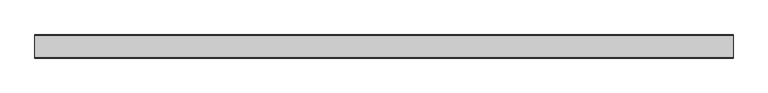
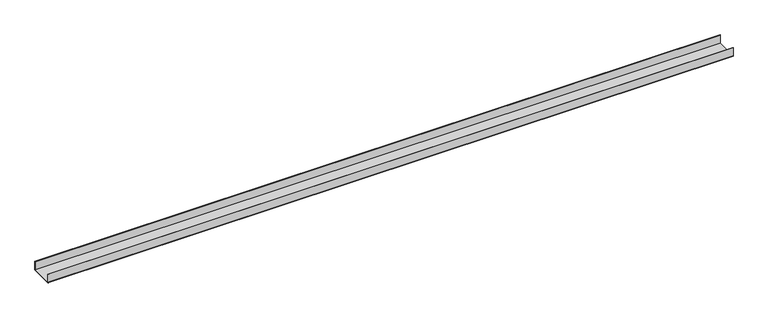
"""IFC4 building model written with IfcOpenShell, lengths in millimetres: proxy geometry."""

from ifc_helpers import new_model, si_unit, point, frame, frame_2d, origin, place, context, project, spatial, polyline, circle_curve, trimmed, segment, composite_curve, outline, extrude, source, transform, mapped, element, save


def generic_models_0cd196e4(model_context):
    return source(origin(), model_context, "Body", "SweptSolid", [
        extrude(outline(composite_curve([segment(polyline([(-50.5, 2.0), (-50.5, 40.0), (-48.5, 40.0), (-48.5, 2.0), (48.5, 2.0), (48.5, 40.0), (50.5, 40.0), (50.5, 2.0)]), True, "CONTINUOUS"), segment(trimmed(circle_curve(frame_2d((48.5, 2.0)), 2.0), [point((50.5, 2.0))], [point((48.5, 0.0))], False, "CARTESIAN"), True, "CONTINUOUS"), segment(polyline([(48.5, 0.0), (-48.5, 0.0)]), True, "CONTINUOUS"), segment(trimmed(circle_curve(frame_2d((-48.5, 2.0)), 2.0), [point((-48.5, 0.0))], [point((-50.5, 2.0))], False, "CARTESIAN"), True, "CONTINUOUS")], self_intersect=False)), frame((0.0, 0.0, 0.0), z_axis=(1.0, 0.0, 0.0), x_axis=(0.0, 1.0, 0.0)), (0.0, 0.0, 1.0), 3053.4764038),
    ])


if __name__ == "__main__":
    model = new_model("IFC4")
    model_context = context("Model", 3, world=origin())
    ifc_project = project(units=[si_unit("LENGTHUNIT", "METRE", prefix="MILLI")], contexts=[model_context])
    site = spatial("IfcSite", under=ifc_project)
    building = spatial("IfcBuilding", under=site)
    placement = place(None, origin())
    generic_models_shape = generic_models_0cd196e4(model_context)
    element("IfcBuildingElementProxy", 1, Name="Generic Models", at=placement, inside=building, context=model_context, shape_type="MappedRepresentation", body=[
        mapped(generic_models_shape, transform((0.0, 0.0, 0.0), x_axis=(1.0, 0.0, 0.0), y_axis=(0.0, 1.0, 0.0), z_axis=(0.0, 0.0, 1.0))),
    ])
    save(model, "model.ifc")
